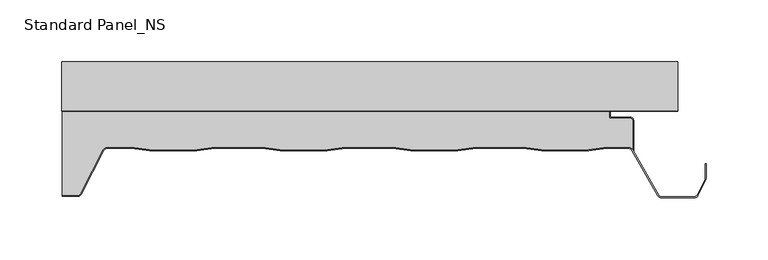
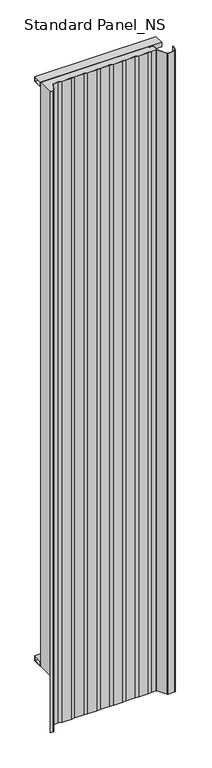
"""IFC4 building model written with IfcOpenShell, lengths in millimetres: proxy geometry, Standard Panel_NS."""

from ifc_helpers import new_model, si_unit, point, frame, frame_2d, origin, origin_with_axes, place, context, project, spatial, polyline, circle_curve, trimmed, segment, composite_curve, outline, extrude, source, transform, mapped, element, save


def standard_panel_ns_23d6e704(model_context):
    return source(origin(), model_context, "Body", "SweptSolid", [
        extrude(outline(polyline([(-40.0, 0.0), (-40.0, 20.0), (0.0, 20.0), (0.0, 0.0), (-40.0, 0.0)]), holes=[polyline([(-0.9, 19.1), (-39.1, 19.1), (-39.1, 0.9), (-0.9, 0.9), (-0.9, 19.1)])]), frame((-249.9999998, 0.0, 0.0), z_axis=(1.0, 0.0, 0.0), x_axis=(0.0, 1.0, 0.0)), (0.0, 0.0, 1.0), 499.9999997),
        extrude(outline(polyline([(-40.0, 2549.5097568), (0.0, 2549.5097568), (0.0, 2529.5097568), (-40.0, 2529.5097568), (-40.0, 2549.5097568)]), holes=[polyline([(-0.9, 2548.6097568), (-39.1, 2548.6097568), (-39.1, 2530.4097568), (-0.9, 2530.4097568), (-0.9, 2548.6097568)])]), frame((-249.9999998, 0.0, 0.0), z_axis=(1.0, 0.0, 0.0), x_axis=(0.0, 1.0, 0.0)), (0.0, 0.0, 1.0), 499.9999997),
        extrude(outline(composite_curve([segment(polyline([(213.3333676, -47.9776976), (213.3333676, -71.2827781)]), True, "CONTINUOUS"), segment(trimmed(circle_curve(frame_2d((210.179188, -73.4020117)), 3.8), [point((213.3333676, -71.2827781))], [point((210.2255766, -69.6022949))], True, "CARTESIAN"), True, "CONTINUOUS"), segment(polyline([(210.2255766, -69.6022949), (192.3850005, -69.6022949), (177.5232715, -71.4), (139.5003904, -71.4), (124.6528382, -69.6040097), (86.3708237, -69.6040097), (71.5232715, -71.4), (33.5003904, -71.4), (18.667015, -69.6057246), (-19.6433531, -69.6057246), (-34.4767285, -71.4), (-72.4996096, -71.4), (-87.3188082, -69.6074394), (-125.6575299, -69.6074394), (-140.4767285, -71.4), (-178.4996096, -71.4), (-193.3070694, -69.6088594), (-213.150958, -69.6088594)]), True, "CONTINUOUS"), segment(trimmed(circle_curve(frame_2d((-213.150958, -73.4088594)), 3.8), [point((-213.150958, -69.6088594))], [point((-216.5484349, -71.7067576))], True, "CARTESIAN"), True, "CONTINUOUS"), segment(polyline([(-216.5484349, -71.7067576), (-234.886672, -107.389061)]), True, "CONTINUOUS"), segment(trimmed(circle_curve(frame_2d((-236.856809, -106.41)), 2.2), [point((-234.886672, -107.389061))], [point((-236.856809, -108.61))], False, "CARTESIAN"), True, "CONTINUOUS"), segment(polyline([(-236.856809, -108.61), (-249.4999998, -108.61), (-249.4999998, -40.8776976), (194.4044995, -40.8776976), (194.4044995, -45.8776976), (211.2333676, -45.8776976)]), True, "CONTINUOUS"), segment(trimmed(circle_curve(frame_2d((211.2333676, -47.9776976)), 2.1), [point((211.2333676, -45.8776976))], [point((213.3333676, -47.9776976))], False, "CARTESIAN"), True, "CONTINUOUS")], self_intersect=False)), origin_with_axes(), (0.0, 0.0, 1.0), 2549.5097568),
        extrude(outline(composite_curve([segment(polyline([(-236.856809, -109.41), (-249.4999998, -109.41), (-249.4999998, -108.61), (-236.856809, -108.61)]), True, "CONTINUOUS"), segment(trimmed(circle_curve(frame_2d((-236.856809, -106.41)), 2.2), [point((-236.856809, -108.61))], [point((-234.886672, -107.389061))], True, "CARTESIAN"), True, "CONTINUOUS"), segment(polyline([(-234.886672, -107.389061), (-216.5484349, -71.7067576)]), True, "CONTINUOUS"), segment(trimmed(circle_curve(frame_2d((-213.150958, -73.4088594)), 3.8), [point((-216.5484349, -71.7067576))], [point((-213.150958, -69.6088594))], False, "CARTESIAN"), True, "CONTINUOUS"), segment(polyline([(-213.150958, -69.6088594), (-193.3070694, -69.6088594), (-178.4996096, -71.4), (-140.4767285, -71.4), (-125.6575299, -69.6074394), (-87.3188082, -69.6074394), (-72.4996096, -71.4), (-34.4767285, -71.4), (-19.6433531, -69.6057246), (18.667015, -69.6057246), (33.5003904, -71.4), (71.5232715, -71.4), (86.3708237, -69.6040097), (124.6528382, -69.6040097), (139.5003904, -71.4), (177.5232715, -71.4), (192.3850005, -69.6022949), (210.1327994, -69.6022949)]), True, "CONTINUOUS"), segment(trimmed(circle_curve(frame_2d((210.179188, -73.4020117)), 3.8), [point((210.1327994, -69.6022949))], [point((213.5049667, -71.5637527))], False, "CARTESIAN"), True, "CONTINUOUS"), segment(polyline([(213.5049667, -71.5637527), (234.4077106, -108.4591287)]), True, "CONTINUOUS"), segment(trimmed(circle_curve(frame_2d((236.3366683, -107.401243)), 2.2), [point((234.4077106, -108.4591287))], [point((236.3366683, -109.601243))], True, "CARTESIAN"), True, "CONTINUOUS"), segment(polyline([(236.3366683, -109.601243), (263.6856737, -109.601243)]), True, "CONTINUOUS"), segment(trimmed(circle_curve(frame_2d((263.6856737, -107.401243)), 2.2), [point((263.6856737, -109.601243))], [point((265.6539047, -108.3841299))], True, "CARTESIAN"), True, "CONTINUOUS"), segment(polyline([(265.6539047, -108.3841299), (272.1830896, -95.3094373)]), True, "CONTINUOUS"), segment(trimmed(circle_curve(frame_2d((270.2148586, -94.3265504)), 2.2), [point((272.1830896, -95.3094373))], [point((272.4148586, -94.3265504))], True, "CARTESIAN"), True, "CONTINUOUS"), segment(polyline([(272.4148586, -94.3265504), (272.4148586, -82.8571101), (273.2148586, -82.8571101), (273.2148586, -94.3265504)]), True, "CONTINUOUS"), segment(trimmed(circle_curve(frame_2d((270.2148586, -94.3265504)), 3.0), [point((273.2148586, -94.3265504))], [point((272.89881, -95.6668507))], False, "CARTESIAN"), True, "CONTINUOUS"), segment(polyline([(272.89881, -95.6668507), (266.3696251, -108.7415434)]), True, "CONTINUOUS"), segment(trimmed(circle_curve(frame_2d((263.6856737, -107.401243)), 3.0), [point((266.3696251, -108.7415434))], [point((263.6856737, -110.401243))], False, "CARTESIAN"), True, "CONTINUOUS"), segment(polyline([(263.6856737, -110.401243), (236.3366683, -110.401243)]), True, "CONTINUOUS"), segment(trimmed(circle_curve(frame_2d((236.3366683, -107.401243)), 3.0), [point((236.3366683, -110.401243))], [point((233.7091409, -108.8490344))], False, "CARTESIAN"), True, "CONTINUOUS"), segment(polyline([(233.7091409, -108.8490344), (212.8067154, -71.9542204)]), True, "CONTINUOUS"), segment(trimmed(circle_curve(frame_2d((210.179188, -73.4020117)), 3.0), [point((212.8067154, -71.9542204))], [point((210.1379709, -70.4022949))], True, "CARTESIAN"), True, "CONTINUOUS"), segment(polyline([(210.1379709, -70.4022949), (192.4332096, -70.4022949), (177.5714806, -72.2), (139.4521813, -72.2), (124.6046291, -70.4040097), (86.4190328, -70.4040097), (71.5714806, -72.2), (33.4521813, -72.2), (18.6188059, -70.4057246), (-19.595144, -70.4057246), (-34.4285194, -72.2), (-72.5478187, -72.2), (-87.3670173, -70.4074394), (-125.6093208, -70.4074394), (-140.4285194, -72.2), (-178.5478187, -72.2), (-193.3552785, -70.4088594), (-213.150958, -70.4088594)]), True, "CONTINUOUS"), segment(trimmed(circle_curve(frame_2d((-213.150958, -73.4088594)), 3.0), [point((-213.150958, -70.4088594))], [point((-215.8349094, -72.0685591))], True, "CARTESIAN"), True, "CONTINUOUS"), segment(polyline([(-215.8349094, -72.0685591), (-234.1728576, -107.7503003)]), True, "CONTINUOUS"), segment(trimmed(circle_curve(frame_2d((-236.856809, -106.41)), 3.0), [point((-234.1728576, -107.7503003))], [point((-236.856809, -109.41))], False, "CARTESIAN"), True, "CONTINUOUS")], self_intersect=False)), frame((0.0, 0.0, -250.0), z_axis=(0.0, 0.0, 1.0), x_axis=(1.0, 0.0, 0.0)), (0.0, 0.0, 1.0), 2799.5097568),
        extrude(outline(composite_curve([segment(polyline([(194.4044995, -40.9), (-249.4999998, -40.9), (-249.4999998, -40.0), (195.3044995, -40.0), (195.3044995, -45.0), (211.2333676, -45.0)]), True, "CONTINUOUS"), segment(trimmed(circle_curve(frame_2d((211.2333676, -48.0)), 3.0), [point((211.2333676, -45.0))], [point((214.2333676, -48.0))], False, "CARTESIAN"), True, "CONTINUOUS"), segment(polyline([(214.2333676, -48.0), (214.2333676, -72.8494512), (213.3333676, -71.2827781), (213.3333676, -48.0)]), True, "CONTINUOUS"), segment(trimmed(circle_curve(frame_2d((211.2333676, -48.0)), 2.1), [point((213.3333676, -48.0))], [point((211.2333676, -45.9))], True, "CARTESIAN"), True, "CONTINUOUS"), segment(polyline([(211.2333676, -45.9), (194.4044995, -45.9), (194.4044995, -40.9)]), True, "CONTINUOUS")], self_intersect=False)), origin_with_axes(), (0.0, 0.0, 1.0), 2549.5097568),
    ])


if __name__ == "__main__":
    model = new_model("IFC4")
    model_context = context("Model", 3, world=origin())
    ifc_project = project(units=[si_unit("LENGTHUNIT", "METRE", prefix="MILLI")], contexts=[model_context])
    site = spatial("IfcSite", under=ifc_project)
    building = spatial("IfcBuilding", under=site)
    placement = place(None, origin())
    standard_panel_ns_shape = standard_panel_ns_23d6e704(model_context)
    element("IfcBuildingElementProxy", 1, Name="Standard Panel_NS", ObjectType="Standard Panel_NS", at=placement, inside=building, context=model_context, shape_type="MappedRepresentation", body=[
        mapped(standard_panel_ns_shape, transform((0.0, 0.0, 0.0), x_axis=(1.0, 0.0, 0.0), y_axis=(0.0, 1.0, 0.0), z_axis=(0.0, 0.0, 1.0))),
    ])
    save(model, "model.ifc")
